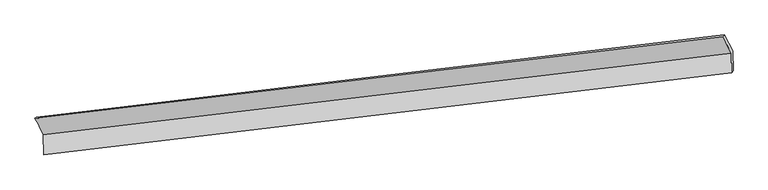
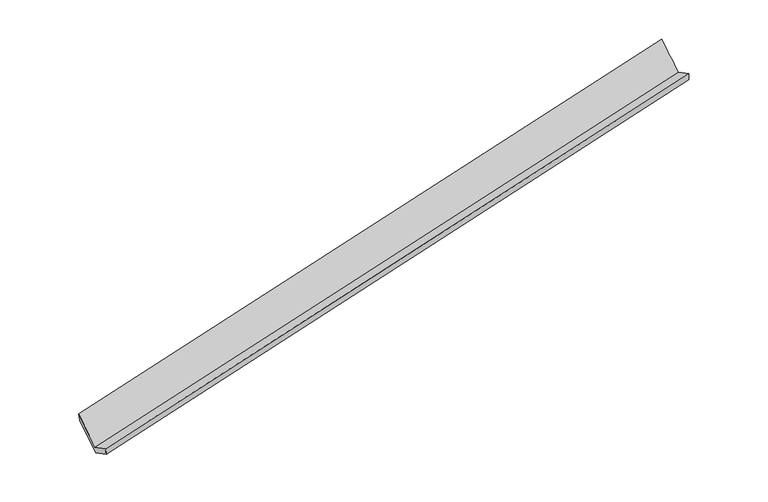
"""IFC4 building model written with IfcOpenShell, lengths in millimetres: proxy geometry."""

from ifc_helpers import new_model, si_unit, frame, origin, place, context, project, spatial, source, transform, mapped, element, save
from ifc_brep_helpers import plane_surface, spline_surface, advanced_brep


def generic_models_38f7fdb7(model_context):
    return source(origin(), model_context, "Body", "AdvancedBrep", [
        advanced_brep(
        [(-9796.9110815, -2325.4351698, 251.5744538), (-9792.7268738, -2731.3546918, 460.6581147), (4161.5204619, -1071.5819176, 3409.072692), (4157.4278881, -674.5520033, 3204.5679479), (-9762.8097281, -2697.2269224, 297.3281356), (4192.1862615, -1028.464672, 3241.3408671), (-9766.9408799, -2296.4544735, 90.8956625), (4188.0551097, -627.6922231, 3034.9083941), (-9936.170463, -1972.6544926, 722.9145619), (4014.2202473, -304.4395816, 3665.9568383), (-9968.682696, -1996.7713247, 893.0870352), (3978.6005917, -342.0157379, 3853.7397286)],
        [
            (0, 1),
            (1, 2),
            (2, 3),
            (3, 0),
            (1, 4),
            (4, 5),
            (5, 2),
            (4, 6),
            (6, 7),
            (7, 5),
            (6, 8),
            (8, 9),
            (9, 7),
            (8, 10),
            (10, 11),
            (11, 9),
            (10, 0),
            (3, 11),
        ],
        [
            plane_surface(frame((-9794.8189777, -2528.3949308, 356.1162843), z_axis=(-0.23547032412055355, 0.4431157809842617, 0.864986780882384), x_axis=(0.009163384068681365, -0.8889607657905703, 0.45789167854139123))),
            spline_surface(1, 1, [[(-9792.7268738, -2731.3546918, 460.6581147), (4161.5204619, -1071.5819176, 3409.072692)], [(-9762.8097281, -2697.2269224, 297.3281356), (4192.1862615, -1028.464672, 3241.3408671)]], [2, 2], [2, 2], [0.0, 1.0], [0.0, 1.0]),
            plane_surface(frame((-9764.875304, -2496.8406979, 194.111899), z_axis=(0.2354702939766893, -0.443115784574412, -0.8649867872491089), x_axis=(-0.009163384068632485, 0.8889607657905703, -0.45789167854139246))),
            spline_surface(1, 1, [[(-9766.9408799, -2296.4544735, 90.8956625), (4188.0551097, -627.6922231, 3034.9083941)], [(-9936.170463, -1972.6544926, 722.9145619), (4014.2202473, -304.4395816, 3665.9568383)]], [2, 2], [2, 2], [0.0, 1.0], [0.0, 1.0]),
            spline_surface(1, 1, [[(-9936.170463, -1972.6544926, 722.9145619), (4014.2202473, -304.4395816, 3665.9568383)], [(-9968.682696, -1996.7713247, 893.0870352), (3978.6005917, -342.0157379, 3853.7397286)]], [2, 2], [2, 2], [0.0, 1.0], [0.0, 1.0]),
            spline_surface(1, 1, [[(-9968.682696, -1996.7713247, 893.0870352), (3978.6005917, -342.0157379, 3853.7397286)], [(-9796.9110815, -2325.4351698, 251.5744538), (4157.4278881, -674.5520033, 3204.5679479)]], [2, 2], [2, 2], [0.0, 1.0], [0.0, 1.0]),
            plane_surface(frame((4115.3350934, -674.7910226, 3401.5977447), z_axis=(0.9711918801147392, 0.11695539072983642, 0.2076241040400392), x_axis=(-0.1828618355294095, -0.19290598956227678, 0.9640274001800021))),
            plane_surface(frame((-9837.3736204, -2336.6495125, 452.7429939), z_axis=(-0.9727169270443722, -0.11407900517565131, -0.20200930775458711), x_axis=(-0.23181417608455163, 0.44354789759755386, 0.8657525341014201))),
        ],
        [
            (0, [[1, 2, 3, 4]]),
            (1, [[5, 6, 7, -2]]),
            (2, [[8, 9, 10, -6]]),
            (3, [[11, 12, 13, -9]]),
            (4, [[14, 15, 16, -12]]),
            (5, [[17, -4, 18, -15]]),
            (6, [[-16, -18, -3, -7, -10, -13]]),
            (7, [[-17, -14, -11, -8, -5, -1]]),
        ],
    ),
    ])


if __name__ == "__main__":
    model = new_model("IFC4")
    model_context = context("Model", 3, world=origin())
    ifc_project = project(units=[si_unit("LENGTHUNIT", "METRE", prefix="MILLI")], contexts=[model_context])
    site = spatial("IfcSite", under=ifc_project)
    building = spatial("IfcBuilding", under=site)
    placement = place(None, origin())
    generic_models_shape = generic_models_38f7fdb7(model_context)
    element("IfcBuildingElementProxy", 1, Name="Generic Models", at=placement, inside=building, context=model_context, shape_type="MappedRepresentation", body=[
        mapped(generic_models_shape, transform((0.0, 0.0, 0.0), x_axis=(1.0, 0.0, 0.0), y_axis=(0.0, 1.0, 0.0), z_axis=(0.0, 0.0, 1.0))),
    ])
    save(model, "model.ifc")
